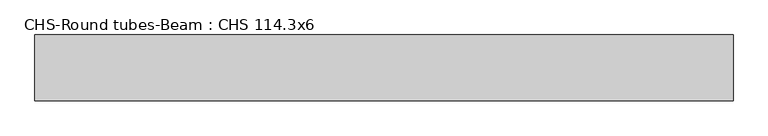
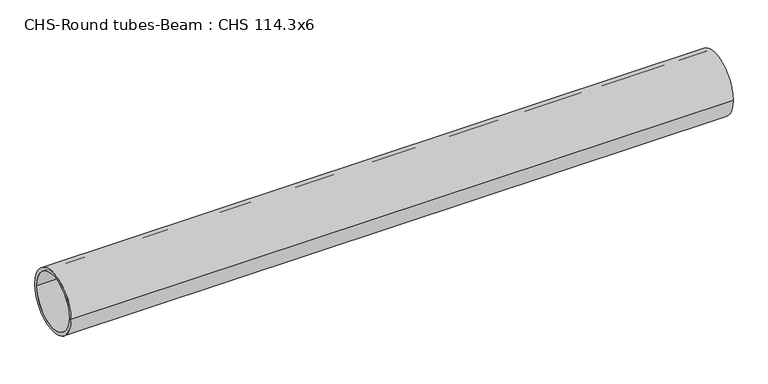
"""IFC4 building model written with IfcOpenShell, lengths in millimetres: beam geometry, CHS-Round tubes-Beam : CHS 114.3x6."""

from ifc_helpers import new_model, si_unit, point, frame, origin, origin_2d, place, context, project, spatial, circle_curve, trimmed, segment, composite_curve, outline, extrude, source, transform, mapped, element, save


def chs_round_tubes_beam_chs_114_3x6_bd1374b2(model_context):
    return source(origin(), model_context, "Body", "SweptSolid", [
        extrude(outline(composite_curve([segment(trimmed(circle_curve(origin_2d(), 57.15), [point((57.15, 0.0))], [point((-57.15, 0.0))], False, "CARTESIAN"), True, "CONTINUOUS"), segment(trimmed(circle_curve(origin_2d(), 57.15), [point((-57.15, 0.0))], [point((57.15, 0.0))], False, "CARTESIAN"), True, "CONTINUOUS")], self_intersect=False), holes=[composite_curve([segment(trimmed(circle_curve(origin_2d(), 51.15), [point((51.15, 0.0))], [point((-51.15, 0.0))], True, "CARTESIAN"), True, "CONTINUOUS"), segment(trimmed(circle_curve(origin_2d(), 51.15), [point((-51.15, 0.0))], [point((51.15, 0.0))], True, "CARTESIAN"), True, "CONTINUOUS")], self_intersect=False)]), frame((-619.8854248, 0.0, 0.0), z_axis=(1.0, 0.0, 0.0), x_axis=(0.0, 1.0, 0.0)), (0.0, 0.0, 1.0), 1212.6856994),
    ])


if __name__ == "__main__":
    model = new_model("IFC4")
    model_context = context("Model", 3, world=origin())
    ifc_project = project(units=[si_unit("LENGTHUNIT", "METRE", prefix="MILLI")], contexts=[model_context])
    site = spatial("IfcSite", under=ifc_project)
    building = spatial("IfcBuilding", under=site)
    placement = place(None, origin())
    chs_round_tubes_beam_chs_114_3x6_shape = chs_round_tubes_beam_chs_114_3x6_bd1374b2(model_context)
    element("IfcBeam", 1, ObjectType="CHS-Round tubes-Beam : CHS 114.3x6", at=placement, inside=building, context=model_context, shape_type="MappedRepresentation", body=[
        mapped(chs_round_tubes_beam_chs_114_3x6_shape, transform((0.0, 0.0, 0.0), x_axis=(1.0, 0.0, 0.0), y_axis=(0.0, 1.0, 0.0), z_axis=(0.0, 0.0, 1.0))),
    ])
    save(model, "model.ifc")
